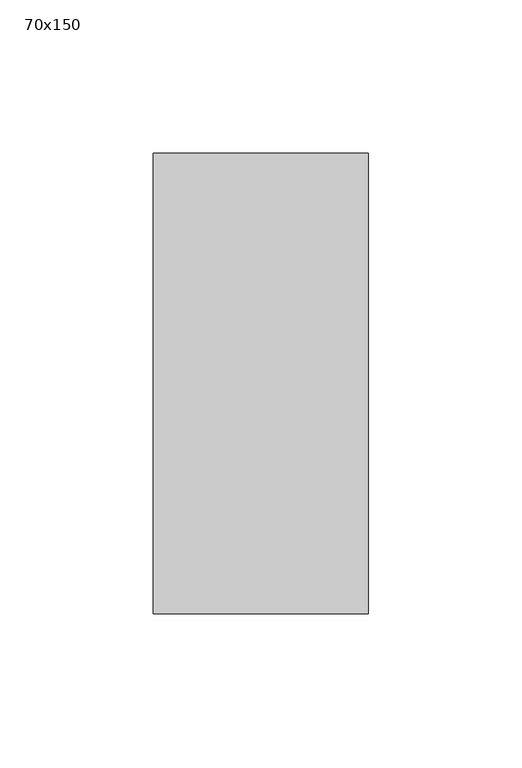
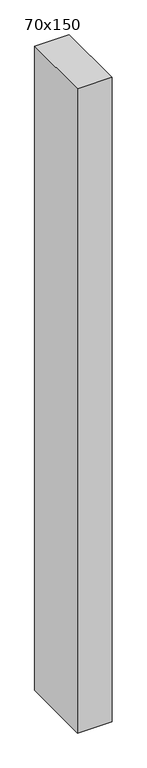
"""IFC4 building model written with IfcOpenShell, lengths in millimetres: member geometry, 70x150."""

from ifc_helpers import new_model, si_unit, frame, origin, place, context, project, spatial, polyline, outline, extrude, source, transform, mapped, element, save


def member_70x150_d227644a(model_context):
    return source(origin(), model_context, "Body", "SweptSolid", [
        extrude(outline(polyline([(-75.0, 0.0), (75.0, 0.0), (75.0, -1378.4748048), (-75.0, -1378.7045355), (-75.0, 0.0)])), frame((-35.0, 0.0, 0.0), z_axis=(1.0, 0.0, 0.0), x_axis=(0.0, 1.0, 0.0)), (0.0, 0.0, 1.0), 70.0),
    ])


if __name__ == "__main__":
    model = new_model("IFC4")
    model_context = context("Model", 3, world=origin())
    ifc_project = project(units=[si_unit("LENGTHUNIT", "METRE", prefix="MILLI")], contexts=[model_context])
    site = spatial("IfcSite", under=ifc_project)
    building = spatial("IfcBuilding", under=site)
    placement = place(None, origin())
    member_70x150_shape = member_70x150_d227644a(model_context)
    element("IfcMember", 1, ObjectType="70x150", at=placement, inside=building, context=model_context, shape_type="MappedRepresentation", body=[
        mapped(member_70x150_shape, transform((0.0, 0.0, 0.0), x_axis=(1.0, 0.0, 0.0), y_axis=(0.0, 1.0, 0.0), z_axis=(0.0, 0.0, 1.0))),
    ])
    save(model, "model.ifc")
